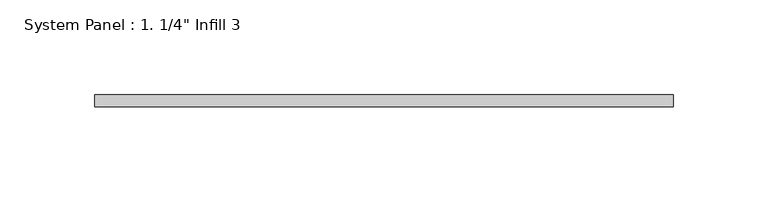
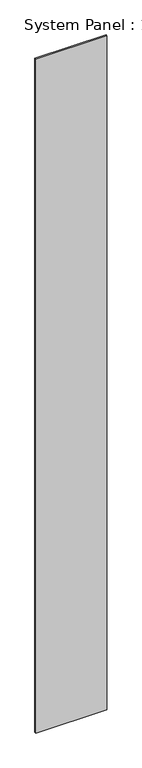
"""IFC4 building model written with IfcOpenShell, lengths in millimetres: plate geometry."""

from ifc_helpers import new_model, si_unit, origin, origin_with_axes, place, context, project, spatial, polyline, outline, extrude, source, transform, mapped, element, save


def plate_752847be(model_context):
    return source(origin(), model_context, "Body", "SweptSolid", [
        extrude(outline(polyline([(152.4, -44.45), (-152.4, -44.45), (-152.4, -38.1), (152.4, -38.1), (152.4, -44.45)])), origin_with_axes(), (0.0, 0.0, 1.0), 3048.0),
    ])


if __name__ == "__main__":
    model = new_model("IFC4")
    model_context = context("Model", 3, world=origin())
    ifc_project = project(units=[si_unit("LENGTHUNIT", "METRE", prefix="MILLI")], contexts=[model_context])
    site = spatial("IfcSite", under=ifc_project)
    building = spatial("IfcBuilding", under=site)
    placement = place(None, origin())
    plate_shape = plate_752847be(model_context)
    element("IfcPlate", 1, ObjectType="System Panel : 1. 1/4\" Infill 3", at=placement, inside=building, context=model_context, shape_type="MappedRepresentation", body=[
        mapped(plate_shape, transform((0.0, 0.0, 0.0), x_axis=(1.0, 0.0, 0.0), y_axis=(0.0, 1.0, 0.0), z_axis=(0.0, 0.0, 1.0))),
    ])
    save(model, "model.ifc")
